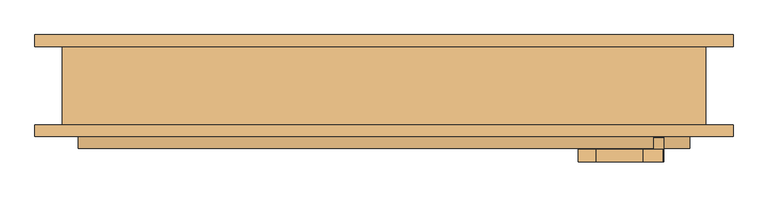
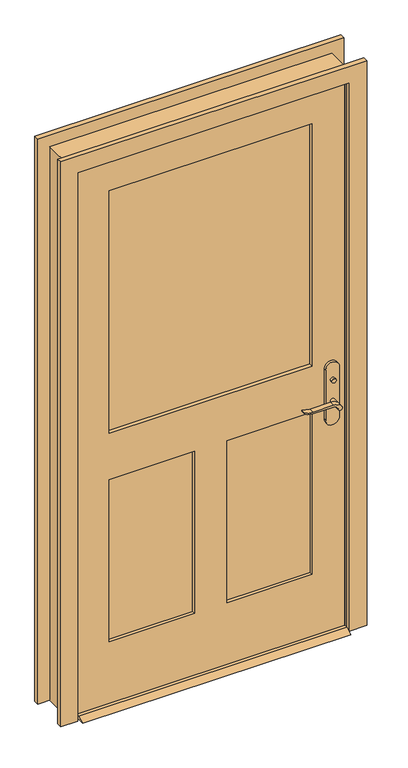
"""IFC4 building model written with IfcOpenShell, lengths in millimetres: door geometry."""

from ifc_helpers import new_model, si_unit, point, frame, frame_2d, origin, place, context, project, spatial, polyline, circle_curve, trimmed, segment, composite_curve, outline, extrude, faceted_brep, source, transform, mapped, element, save


def door_f2be2632(model_context):
    return source(origin(), model_context, "Body", "SolidModel", [
        extrude(outline(polyline([(-38.1, 12.7), (-12.7, 0.0), (-98.425, 0.0), (-73.025, 12.7), (-38.1, 12.7)])), frame((-495.3, 0.0, 0.0), z_axis=(1.0, 0.0, 0.0), x_axis=(0.0, 1.0, 0.0)), (0.0, 0.0, 1.0), 990.6),
        extrude(outline(polyline([(449.5, -5.4), (449.5, -15.4), (439.5, -15.4), (439.5, -5.4), (449.5, -5.4)])), frame((0.0, 0.0, 981.9), z_axis=(0.0, 0.0, 1.0), x_axis=(1.0, 0.0, 0.0)), (0.0, 0.0, 1.0), 30.0),
        extrude(outline(composite_curve([segment(trimmed(circle_curve(frame_2d((996.9, 444.5)), 8.0), [point((996.9, 436.5))], [point((996.9, 452.5))], False, "CARTESIAN"), True, "CONTINUOUS"), segment(trimmed(circle_curve(frame_2d((996.9, 444.5)), 8.0), [point((996.9, 452.5))], [point((996.9, 436.5))], False, "CARTESIAN"), True, "CONTINUOUS")], self_intersect=False)), frame((0.0, -80.325, 0.0), z_axis=(0.0, 1.0, 0.0), x_axis=(0.0, 0.0, 1.0)), (0.0, 0.0, 1.0), 10.0),
        extrude(outline(composite_curve([segment(trimmed(circle_curve(frame_2d((897.1555521, 420.8324871)), 37.2832219), [point((919.0523287, 451.0081363))], [point((934.4, 419.1325667))], False, "CARTESIAN"), True, "CONTINUOUS"), segment(polyline([(934.4, 419.1325667), (934.4, 342.8564091)]), True, "CONTINUOUS"), segment(trimmed(circle_curve(frame_2d((1017.6850638, 342.9227909)), 83.2850902), [point((934.4, 342.8564091))], [point((939.4, 314.5))], True, "CARTESIAN"), True, "CONTINUOUS"), segment(polyline([(939.4, 314.5), (936.6135558, 314.5)]), True, "CONTINUOUS"), segment(trimmed(circle_curve(frame_2d((986.6709207, 346.4396612)), 59.3791355), [point((936.6135558, 314.5))], [point((927.4, 342.8564091))], False, "CARTESIAN"), True, "CONTINUOUS"), segment(polyline([(927.4, 342.8564091), (927.4, 419.1138099)]), True, "CONTINUOUS"), segment(trimmed(circle_curve(frame_2d((909.2738613, 419.1138099)), 18.1261387), [point((927.4, 419.1138099))], [point((914.4, 436.5))], True, "CARTESIAN"), True, "CONTINUOUS"), segment(trimmed(circle_curve(frame_2d((914.4, 444.5)), 8.0), [point((914.4, 436.5))], [point((919.0523287, 451.0081363))], False, "CARTESIAN"), True, "CONTINUOUS")], self_intersect=False)), frame((0.0, 14.6, 0.0), z_axis=(0.0, 1.0, 0.0), x_axis=(0.0, 0.0, 1.0)), (0.0, 0.0, 1.0), 20.0),
        extrude(outline(composite_curve([segment(trimmed(circle_curve(frame_2d((914.4, 444.5)), 8.0), [point((914.3999903, 436.5))], [point((919.0523287, 451.0081363))], False, "CARTESIAN"), True, "CONTINUOUS"), segment(trimmed(circle_curve(frame_2d((897.1555521, 420.8324871)), 37.2832219), [point((919.0523287, 451.0081363))], [point((934.4, 419.1325667))], False, "CARTESIAN"), True, "CONTINUOUS"), segment(polyline([(934.4, 419.1325667), (934.4, 342.8564091)]), True, "CONTINUOUS"), segment(trimmed(circle_curve(frame_2d((1017.6850638, 342.9227909)), 83.2850902), [point((934.4, 342.8564091))], [point((939.4, 314.5))], True, "CARTESIAN"), True, "CONTINUOUS"), segment(polyline([(939.4, 314.5), (936.6135558, 314.5)]), True, "CONTINUOUS"), segment(trimmed(circle_curve(frame_2d((986.6709207, 346.4396612)), 59.3791355), [point((936.6135558, 314.5))], [point((927.4, 342.8564091))], False, "CARTESIAN"), True, "CONTINUOUS"), segment(polyline([(927.4, 342.8564091), (927.4, 419.1138122)]), True, "CONTINUOUS"), segment(trimmed(circle_curve(frame_2d((909.2738682, 419.1138122)), 18.1261318), [point((927.4, 419.1138122))], [point((914.3999903, 436.5))], True, "CARTESIAN"), True, "CONTINUOUS")], self_intersect=False)), frame((0.0, -120.325, 0.0), z_axis=(0.0, 1.0, 0.0), x_axis=(0.0, 0.0, 1.0)), (0.0, 0.0, 1.0), 20.0),
        extrude(outline(composite_curve([segment(trimmed(circle_curve(frame_2d((914.4, 444.5)), 8.0), [point((914.4, 436.5))], [point((914.4, 452.5))], False, "CARTESIAN"), True, "CONTINUOUS"), segment(trimmed(circle_curve(frame_2d((914.4, 444.5)), 8.0), [point((914.4, 452.5))], [point((914.4, 436.5))], False, "CARTESIAN"), True, "CONTINUOUS")], self_intersect=False)), frame((0.0, -15.4, 0.0), z_axis=(0.0, 1.0, 0.0), x_axis=(0.0, 0.0, 1.0)), (0.0, 0.0, 1.0), 30.0),
        extrude(outline(composite_curve([segment(trimmed(circle_curve(frame_2d((914.4, 444.5)), 8.0), [point((914.4, 436.5))], [point((914.4, 452.5))], False, "CARTESIAN"), True, "CONTINUOUS"), segment(trimmed(circle_curve(frame_2d((914.4, 444.5)), 8.0), [point((914.4, 452.5))], [point((914.4, 436.5))], False, "CARTESIAN"), True, "CONTINUOUS")], self_intersect=False)), frame((0.0, -100.325, 0.0), z_axis=(0.0, 1.0, 0.0), x_axis=(0.0, 0.0, 1.0)), (0.0, 0.0, 1.0), 30.0),
        extrude(outline(composite_curve([segment(polyline([(844.4, 469.5), (1039.4, 469.5)]), True, "CONTINUOUS"), segment(trimmed(circle_curve(frame_2d((1039.4, 444.5)), 25.0), [point((1039.4, 469.5))], [point((1039.4, 419.5))], False, "CARTESIAN"), True, "CONTINUOUS"), segment(polyline([(1039.4, 419.5), (844.4, 419.5)]), True, "CONTINUOUS"), segment(trimmed(circle_curve(frame_2d((844.4, 444.5)), 25.0), [point((844.4, 419.5))], [point((844.4, 469.5))], False, "CARTESIAN"), True, "CONTINUOUS")], self_intersect=False)), frame((0.0, -25.4, 0.0), z_axis=(0.0, 1.0, 0.0), x_axis=(0.0, 0.0, 1.0)), (0.0, 0.0, 1.0), 10.0),
        extrude(outline(composite_curve([segment(polyline([(844.4, 469.5), (1039.4, 469.5)]), True, "CONTINUOUS"), segment(trimmed(circle_curve(frame_2d((1039.4, 444.5)), 25.0), [point((1039.4, 469.5))], [point((1039.4, 419.5))], False, "CARTESIAN"), True, "CONTINUOUS"), segment(polyline([(1039.4, 419.5), (844.4, 419.5)]), True, "CONTINUOUS"), segment(trimmed(circle_curve(frame_2d((844.4, 444.5)), 25.0), [point((844.4, 419.5))], [point((844.4, 469.5))], False, "CARTESIAN"), True, "CONTINUOUS")], self_intersect=False)), frame((0.0, -70.325, 0.0), z_axis=(0.0, 1.0, 0.0), x_axis=(0.0, 0.0, 1.0)), (0.0, 0.0, 1.0), 10.0),
        faceted_brep([(520.7, -60.325, 0.0), (495.3, -60.325, 0.0), (495.3, -25.4, 0.0), (482.6, -25.4, 0.0), (482.6, 9.525, 0.0), (495.3, 9.525, 0.0), (495.3, 66.675, 0.0), (520.7, 66.675, 0.0), (520.7, 66.675, 2159.0), (520.7, -60.325, 2159.0), (495.3, 66.675, 2133.6), (-495.3, 66.675, 2133.6), (-495.3, 66.675, 0.0), (-520.7, 66.675, 0.0), (-520.7, 66.675, 2159.0), (495.3, 9.525, 2133.6), (482.6, 9.525, 2120.9), (-482.6, 9.525, 2120.9), (-482.6, 9.525, 0.0), (-495.3, 9.525, 0.0), (-495.3, 9.525, 2133.6), (482.6, -25.4, 2120.9), (495.3, -25.4, 2133.6), (-495.3, -25.4, 2133.6), (-495.3, -25.4, 0.0), (-482.6, -25.4, 0.0), (-482.6, -25.4, 2120.9), (495.3, -60.325, 2133.6), (-520.7, -60.325, 2159.0), (-520.7, -60.325, 0.0), (-495.3, -60.325, 0.0), (-495.3, -60.325, 2133.6)], [[[0, 1, 2, 3, 4, 5, 6, 7]], [[7, 8, 9, 0]], [[6, 10, 11, 12, 13, 14, 8, 7]], [[5, 15, 10, 6]], [[4, 16, 17, 18, 19, 20, 15, 5]], [[3, 21, 16, 4]], [[2, 22, 23, 24, 25, 26, 21, 3]], [[1, 27, 22, 2]], [[0, 9, 28, 29, 30, 31, 27, 1]], [[8, 14, 28, 9]], [[15, 20, 11, 10]], [[21, 26, 17, 16]], [[27, 31, 23, 22]], [[29, 13, 12, 19, 18, 25, 24, 30]], [[14, 13, 29, 28]], [[20, 19, 12, 11]], [[26, 25, 18, 17]], [[31, 30, 24, 23]]]),
        extrude(outline(polyline([(2133.6, -495.3), (12.7, -495.3), (12.7, 495.3), (2133.6, 495.3), (2133.6, -495.3)]), holes=[polyline([(1066.8, -374.65), (2012.95, -374.65), (2012.95, 374.65), (1066.8, 374.65), (1066.8, -374.65)]), polyline([(885.825, -60.325), (254.0, -60.325), (254.0, -374.65), (885.825, -374.65), (885.825, -60.325)]), polyline([(885.825, 374.65), (254.0, 374.65), (254.0, 60.325), (885.825, 60.325), (885.825, 374.65)])]), frame((0.0, -60.325, 0.0), z_axis=(0.0, 1.0, 0.0), x_axis=(0.0, 0.0, 1.0)), (0.0, 0.0, 1.0), 34.925),
        extrude(outline(polyline([(374.65, -39.37), (374.65, -46.355), (-374.65, -46.355), (-374.65, -39.37), (374.65, -39.37)])), frame((0.0, 0.0, 1066.8), z_axis=(0.0, 0.0, 1.0), x_axis=(1.0, 0.0, 0.0)), (0.0, 0.0, 1.0), 946.15),
        extrude(outline(polyline([(-60.325, -37.0416667), (-60.325, -48.6833333), (-374.65, -48.6833333), (-374.65, -37.0416667), (-60.325, -37.0416667)])), frame((0.0, 0.0, 254.0), z_axis=(0.0, 0.0, 1.0), x_axis=(1.0, 0.0, 0.0)), (0.0, 0.0, 1.0), 631.825),
        extrude(outline(polyline([(374.65, -37.0416667), (374.65, -48.6833333), (60.325, -48.6833333), (60.325, -37.0416667), (374.65, -37.0416667)])), frame((0.0, 0.0, 254.0), z_axis=(0.0, 0.0, 1.0), x_axis=(1.0, 0.0, 0.0)), (0.0, 0.0, 1.0), 631.825),
        extrude(outline(polyline([(0.0, -501.65), (2139.95, -501.65), (2139.95, 501.65), (0.0, 501.65), (0.0, 565.15), (2203.45, 565.15), (2203.45, -565.15), (0.0, -565.15), (0.0, -501.65)])), frame((0.0, -79.375, 0.0), z_axis=(0.0, 1.0, 0.0), x_axis=(0.0, 0.0, 1.0)), (0.0, 0.0, 1.0), 19.05),
        extrude(outline(polyline([(0.0, -501.65), (2139.95, -501.65), (2139.95, 501.65), (0.0, 501.65), (0.0, 565.15), (2203.45, 565.15), (2203.45, -565.15), (0.0, -565.15), (0.0, -501.65)])), frame((0.0, 66.675, 0.0), z_axis=(0.0, 1.0, 0.0), x_axis=(0.0, 0.0, 1.0)), (0.0, 0.0, 1.0), 19.05),
    ])


if __name__ == "__main__":
    model = new_model("IFC4")
    model_context = context("Model", 3, world=origin())
    ifc_project = project(units=[si_unit("LENGTHUNIT", "METRE", prefix="MILLI")], contexts=[model_context])
    site = spatial("IfcSite", under=ifc_project)
    building = spatial("IfcBuilding", under=site)
    placement = place(None, origin())
    door_shape = door_f2be2632(model_context)
    element("IfcDoor", 1, at=placement, inside=building, context=model_context, shape_type="MappedRepresentation", body=[
        mapped(door_shape, transform((0.0, 0.0, 0.0), x_axis=(1.0, 0.0, 0.0), y_axis=(0.0, 1.0, 0.0), z_axis=(0.0, 0.0, 1.0))),
    ])
    save(model, "model.ifc")
